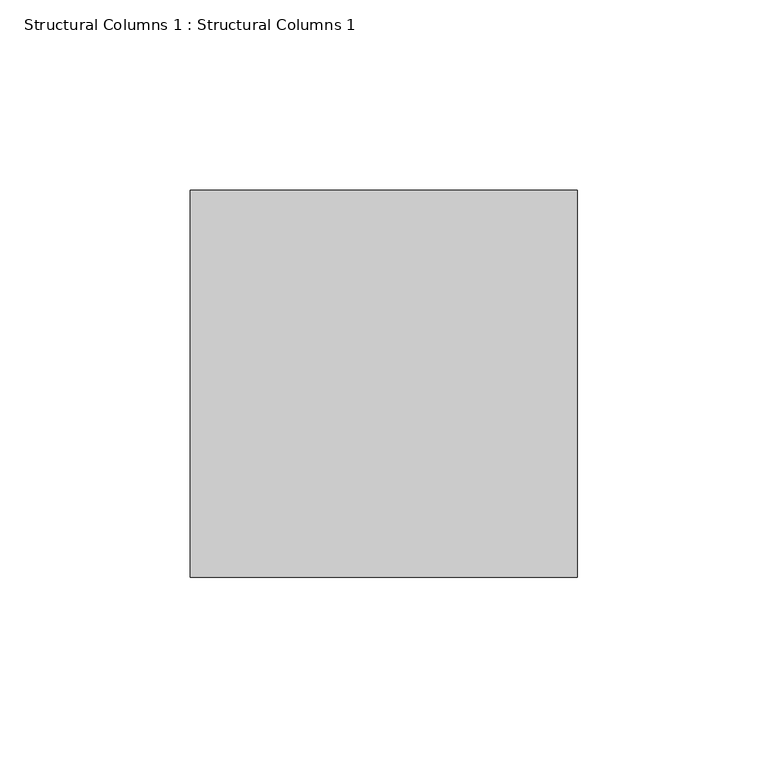
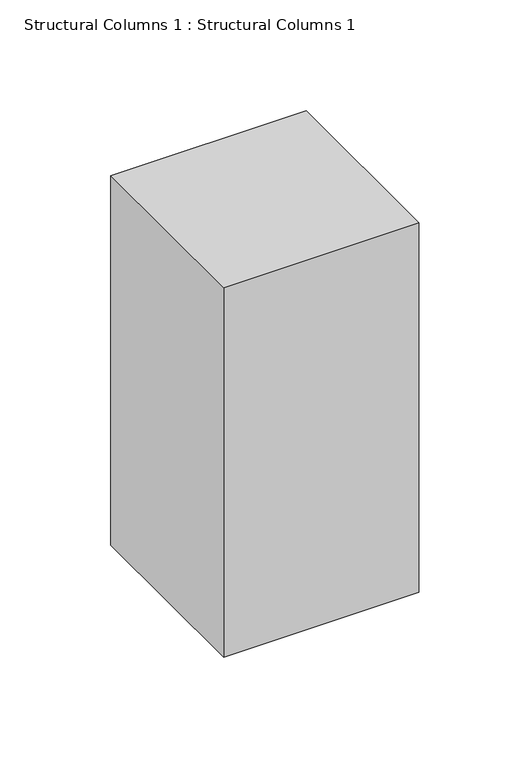
"""IFC4 building model written with IfcOpenShell, lengths in millimetres: column geometry, Structural Columns 1 : Structural Columns 1."""

from ifc_helpers import new_model, si_unit, frame, origin, place, context, project, spatial, polyline, outline, extrude, source, transform, mapped, element, save


def structural_columns_1_structural_columns_1_e7a1389c(model_context):
    return source(origin(), model_context, "Body", "SweptSolid", [
        extrude(outline(polyline([(129415.876671, 180609.314292), (129415.876671, 180507.714292), (129314.276671, 180507.714292), (129314.276671, 180609.314292), (129415.876671, 180609.314292)])), frame((0.0, 0.0, 3801.3592564), z_axis=(0.0, 0.0, 1.0), x_axis=(1.0, 0.0, 0.0)), (0.0, 0.0, 1.0), 203.2),
    ])


if __name__ == "__main__":
    model = new_model("IFC4")
    model_context = context("Model", 3, world=origin())
    ifc_project = project(units=[si_unit("LENGTHUNIT", "METRE", prefix="MILLI")], contexts=[model_context])
    site = spatial("IfcSite", under=ifc_project)
    building = spatial("IfcBuilding", under=site)
    placement = place(None, origin())
    structural_columns_1_structural_columns_1_shape = structural_columns_1_structural_columns_1_e7a1389c(model_context)
    element("IfcColumn", 1, ObjectType="Structural Columns 1 : Structural Columns 1", at=placement, inside=building, context=model_context, shape_type="MappedRepresentation", body=[
        mapped(structural_columns_1_structural_columns_1_shape, transform((0.0, 0.0, 0.0), x_axis=(1.0, 0.0, 0.0), y_axis=(0.0, 1.0, 0.0), z_axis=(0.0, 0.0, 1.0))),
    ])
    save(model, "model.ifc")
